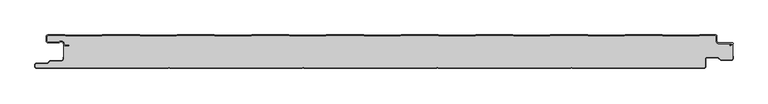
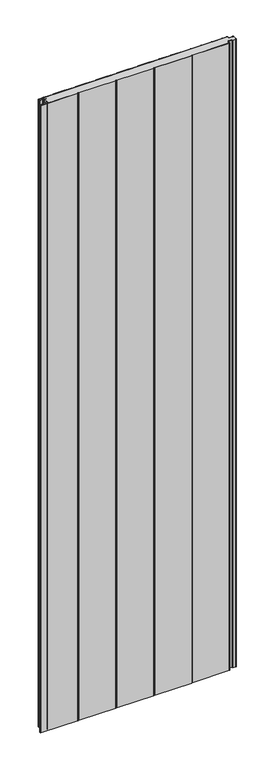
"""IFC4 building model written with IfcOpenShell, lengths in millimetres: plate geometry."""

from ifc_helpers import new_model, si_unit, point, frame_2d, origin, origin_with_axes, place, context, project, spatial, polyline, circle_curve, trimmed, segment, composite_curve, outline, extrude, source, transform, mapped, element, save


def plate_1a0645fa(model_context):
    return source(origin(), model_context, "Body", "SweptSolid", [
        extrude(outline(composite_curve([segment(trimmed(circle_curve(frame_2d((-497.49499, -9.0180361)), 2.50501), [point((-497.49499, -11.5230461))], [point((-500.0, -9.0180361))], False, "CARTESIAN"), True, "CONTINUOUS"), segment(polyline([(-500.0, -9.0180361), (-500.0, -2.50501)]), True, "CONTINUOUS"), segment(trimmed(circle_curve(frame_2d((-497.49499, -2.50501)), 2.50501), [point((-500.0, -2.50501))], [point((-497.49499, 0.0))], False, "CARTESIAN"), True, "CONTINUOUS"), segment(polyline([(-497.49499, 0.0), (-472.2103007, 0.0), (-471.028188, -0.6012024), (-417.6391467, -0.6012024), (-416.457034, 0.0), (-360.8776353, 0.0), (-359.6955227, -0.6012024), (-306.3064814, -0.6012024), (-305.1243687, 0.0), (-249.54497, 0.0), (-248.3628573, -0.6012024), (-194.973816, -0.6012024), (-193.7917033, 0.0), (-138.2123047, 0.0), (-137.030192, -0.6012024), (-83.6411507, -0.6012024), (-82.459038, 0.0), (-26.8796393, 0.0), (-25.6975267, -0.6012024), (27.6915146, -0.6012024), (28.8736273, 0.0), (84.453026, 0.0), (85.6351387, -0.6012024), (139.02418, -0.6012024), (140.2062927, 0.0), (195.7856913, 0.0), (196.967804, -0.6012024), (250.3568453, -0.6012024), (251.538958, 0.0), (307.1183566, 0.0), (308.3004693, -0.6012024), (361.6895106, -0.6012024), (362.8716233, 0.0), (418.451022, 0.0), (419.6331347, -0.6012024), (473.022176, -0.6012024), (474.2042886, 0.0), (497.49499, 0.0)]), True, "CONTINUOUS"), segment(trimmed(circle_curve(frame_2d((497.49499, -2.50501)), 2.50501), [point((497.49499, 0.0))], [point((500.0, -2.50501))], False, "CARTESIAN"), True, "CONTINUOUS"), segment(polyline([(500.0, -2.50501), (500.0, -10.0200401)]), True, "CONTINUOUS"), segment(trimmed(circle_curve(frame_2d((502.004008, -10.0200401)), 2.004008), [point((500.0, -10.0200401))], [point((502.004008, -12.0240481))], True, "CARTESIAN"), True, "CONTINUOUS"), segment(polyline([(502.004008, -12.0240481), (522.96027, -12.0240481)]), True, "CONTINUOUS"), segment(trimmed(circle_curve(frame_2d((522.96027, -13.0490481)), 1.025), [point((522.96027, -12.0240481))], [point((523.47277, -13.9367241))], False, "CARTESIAN"), True, "CONTINUOUS"), segment(polyline([(523.47277, -13.9367241), (519.5390782, -16.2078422), (519.1390782, -15.5150218), (522.183956, -13.7570608)]), True, "CONTINUOUS"), segment(trimmed(circle_curve(frame_2d((521.933956, -13.3240481)), 0.5), [point((522.183956, -13.7570608))], [point((521.933956, -12.8240481))], True, "CARTESIAN"), True, "CONTINUOUS"), segment(polyline([(521.933956, -12.8240481), (502.004008, -12.8240481)]), True, "CONTINUOUS"), segment(trimmed(circle_curve(frame_2d((502.004008, -10.0200401)), 2.804008), [point((502.004008, -12.8240481))], [point((499.2, -10.0200401))], False, "CARTESIAN"), True, "CONTINUOUS"), segment(polyline([(499.2, -10.0200401), (499.2, -2.50501)]), True, "CONTINUOUS"), segment(trimmed(circle_curve(frame_2d((497.49499, -2.50501)), 1.70501), [point((499.2, -2.50501))], [point((497.49499, -0.8))], True, "CARTESIAN"), True, "CONTINUOUS"), segment(polyline([(497.49499, -0.8), (474.396035, -0.8), (473.2139223, -1.4012024), (419.4413883, -1.4012024), (418.2592756, -0.8), (363.0633697, -0.8), (361.881257, -1.4012024), (308.108723, -1.4012024), (306.9266103, -0.8), (251.7307044, -0.8), (250.5485917, -1.4012024), (196.7760576, -1.4012024), (195.5939449, -0.8), (140.398039, -0.8), (139.2159263, -1.4012024), (85.4433923, -1.4012024), (84.2612796, -0.8), (29.0653737, -0.8), (27.883261, -1.4012024), (-25.889273, -1.4012024), (-27.0713857, -0.8), (-82.2672916, -0.8), (-83.4494043, -1.4012024), (-137.2219384, -1.4012024), (-138.4040511, -0.8), (-193.599957, -0.8), (-194.7820696, -1.4012024), (-248.5546037, -1.4012024), (-249.7367164, -0.8), (-304.9326223, -0.8), (-306.114735, -1.4012024), (-359.887269, -1.4012024), (-361.0693817, -0.8), (-416.2652876, -0.8), (-417.4474003, -1.4012024), (-471.2199344, -1.4012024), (-472.4020471, -0.8), (-497.49499, -0.8)]), True, "CONTINUOUS"), segment(trimmed(circle_curve(frame_2d((-497.49499, -2.50501)), 1.70501), [point((-497.49499, -0.8))], [point((-499.2, -2.50501))], True, "CARTESIAN"), True, "CONTINUOUS"), segment(polyline([(-499.2, -2.50501), (-499.2, -9.0180361)]), True, "CONTINUOUS"), segment(trimmed(circle_curve(frame_2d((-497.49499, -9.0180361)), 1.70501), [point((-499.2, -9.0180361))], [point((-497.49499, -10.7230461))], True, "CARTESIAN"), True, "CONTINUOUS"), segment(polyline([(-497.49499, -10.7230461), (-481.8173283, -10.7230461)]), True, "CONTINUOUS"), segment(trimmed(circle_curve(frame_2d((-481.8173283, -9.0180361)), 1.70501), [point((-481.8173283, -10.7230461))], [point((-480.6895701, -10.2967936))], True, "CARTESIAN"), True, "CONTINUOUS"), segment(trimmed(circle_curve(frame_2d((-477.8407481, -13.5270541)), 4.307014), [point((-480.6895701, -10.2967936))], [point((-473.7934788, -12.0539686))], False, "CARTESIAN"), True, "CONTINUOUS"), segment(polyline([(-473.7934788, -12.0539686), (-473.0450711, -14.1102019)]), True, "CONTINUOUS"), segment(trimmed(circle_curve(frame_2d((-471.4428858, -13.5270541)), 1.70501), [point((-473.0450711, -14.1102019))], [point((-471.4428858, -15.2320641))], True, "CARTESIAN"), True, "CONTINUOUS"), segment(polyline([(-471.4428858, -15.2320641), (-466.4328657, -15.2320641), (-466.4328657, -16.0320641), (-471.4428858, -16.0320641)]), True, "CONTINUOUS"), segment(trimmed(circle_curve(frame_2d((-471.4428858, -13.5270541)), 2.50501), [point((-471.4428858, -16.0320641))], [point((-473.7968252, -14.383818))], False, "CARTESIAN"), True, "CONTINUOUS"), segment(polyline([(-473.7968252, -14.383818), (-474.5452329, -12.3275847)]), True, "CONTINUOUS"), segment(trimmed(circle_curve(frame_2d((-477.8407481, -13.5270541)), 3.507014), [point((-474.5452329, -12.3275847))], [point((-480.1604199, -10.8967936))], True, "CARTESIAN"), True, "CONTINUOUS"), segment(trimmed(circle_curve(frame_2d((-481.8173283, -9.0180361)), 2.50501), [point((-480.1604199, -10.8967936))], [point((-481.8173283, -11.5230461))], False, "CARTESIAN"), True, "CONTINUOUS"), segment(polyline([(-481.8173283, -11.5230461), (-497.49499, -11.5230461)]), True, "CONTINUOUS")], self_intersect=False)), origin_with_axes(), (0.0, 0.0, 1.0), 3500.0),
        extrude(outline(composite_curve([segment(polyline([(523.2, -12.8240481), (523.2, -35.25)]), True, "CONTINUOUS"), segment(trimmed(circle_curve(frame_2d((521.5, -35.25)), 1.7), [point((523.2, -35.25))], [point((521.5, -36.95))], False, "CARTESIAN"), True, "CONTINUOUS"), segment(polyline([(521.5, -36.95), (505.8492873, -36.95), (501.7886271, -33.2), (485.0, -33.2)]), True, "CONTINUOUS"), segment(trimmed(circle_curve(frame_2d((485.0, -36.0)), 2.8), [point((485.0, -33.2))], [point((482.2, -36.0))], True, "CARTESIAN"), True, "CONTINUOUS"), segment(polyline([(482.2, -36.0), (482.2, -47.5)]), True, "CONTINUOUS"), segment(trimmed(circle_curve(frame_2d((480.5, -47.5)), 1.7), [point((482.2, -47.5))], [point((480.5, -49.2))], False, "CARTESIAN"), True, "CONTINUOUS"), segment(polyline([(480.5, -49.2), (285.5, -49.2)]), True, "CONTINUOUS"), segment(trimmed(circle_curve(frame_2d((285.5, -47.5)), 1.7), [point((285.5, -49.2))], [point((284.0845596, -48.4415563))], False, "CARTESIAN"), True, "CONTINUOUS"), segment(trimmed(circle_curve(frame_2d((283.0, -49.1630095)), 1.302599), [point((284.0845596, -48.4415563))], [point((281.9154404, -48.4415563))], True, "CARTESIAN"), True, "CONTINUOUS"), segment(trimmed(circle_curve(frame_2d((280.5, -47.5)), 1.7), [point((281.9154404, -48.4415563))], [point((280.5, -49.2))], False, "CARTESIAN"), True, "CONTINUOUS"), segment(polyline([(280.5, -49.2), (85.5, -49.2)]), True, "CONTINUOUS"), segment(trimmed(circle_curve(frame_2d((85.5, -47.5)), 1.7), [point((85.5, -49.2))], [point((84.0845596, -48.4415563))], False, "CARTESIAN"), True, "CONTINUOUS"), segment(trimmed(circle_curve(frame_2d((83.0, -49.1630095)), 1.302599), [point((84.0845596, -48.4415563))], [point((81.9154404, -48.4415563))], True, "CARTESIAN"), True, "CONTINUOUS"), segment(trimmed(circle_curve(frame_2d((80.5, -47.5)), 1.7), [point((81.9154404, -48.4415563))], [point((80.5, -49.2))], False, "CARTESIAN"), True, "CONTINUOUS"), segment(polyline([(80.5, -49.2), (-114.5, -49.2)]), True, "CONTINUOUS"), segment(trimmed(circle_curve(frame_2d((-114.5, -47.5)), 1.7), [point((-114.5, -49.2))], [point((-115.9154404, -48.4415563))], False, "CARTESIAN"), True, "CONTINUOUS"), segment(trimmed(circle_curve(frame_2d((-117.0, -49.1630095)), 1.302599), [point((-115.9154404, -48.4415563))], [point((-118.0845596, -48.4415563))], True, "CARTESIAN"), True, "CONTINUOUS"), segment(trimmed(circle_curve(frame_2d((-119.5, -47.5)), 1.7), [point((-118.0845596, -48.4415563))], [point((-119.5, -49.2))], False, "CARTESIAN"), True, "CONTINUOUS"), segment(polyline([(-119.5, -49.2), (-314.5, -49.2)]), True, "CONTINUOUS"), segment(trimmed(circle_curve(frame_2d((-314.5, -47.5)), 1.7), [point((-314.5, -49.2))], [point((-315.9154404, -48.4415563))], False, "CARTESIAN"), True, "CONTINUOUS"), segment(trimmed(circle_curve(frame_2d((-317.0, -49.1630095)), 1.302599), [point((-315.9154404, -48.4415563))], [point((-318.0845596, -48.4415563))], True, "CARTESIAN"), True, "CONTINUOUS"), segment(trimmed(circle_curve(frame_2d((-319.5, -47.5)), 1.7), [point((-318.0845596, -48.4415563))], [point((-319.5, -49.2))], False, "CARTESIAN"), True, "CONTINUOUS"), segment(polyline([(-319.5, -49.2), (-514.5, -49.2)]), True, "CONTINUOUS"), segment(trimmed(circle_curve(frame_2d((-514.5, -47.5)), 1.7), [point((-514.5, -49.2))], [point((-516.2, -47.5))], False, "CARTESIAN"), True, "CONTINUOUS"), segment(polyline([(-516.2, -47.5), (-516.2, -44.5)]), True, "CONTINUOUS"), segment(trimmed(circle_curve(frame_2d((-514.5, -44.5)), 1.7), [point((-516.2, -44.5))], [point((-514.5, -42.8))], False, "CARTESIAN"), True, "CONTINUOUS"), segment(polyline([(-514.5, -42.8), (-498.1686292, -42.8), (-494.4186292, -39.05), (-477.0, -39.05)]), True, "CONTINUOUS"), segment(trimmed(circle_curve(frame_2d((-477.0, -36.25)), 2.8), [point((-477.0, -39.05))], [point((-474.2, -36.25))], True, "CARTESIAN"), True, "CONTINUOUS"), segment(polyline([(-474.2, -36.25), (-474.2, -11.2258973)]), True, "CONTINUOUS"), segment(trimmed(circle_curve(frame_2d((-477.8407481, -13.5270541)), 4.307014), [point((-474.2, -11.2258973))], [point((-480.6895701, -10.2967936))], True, "CARTESIAN"), True, "CONTINUOUS"), segment(trimmed(circle_curve(frame_2d((-481.8173283, -9.0180361)), 1.70501), [point((-480.6895701, -10.2967936))], [point((-481.8173283, -10.7230461))], False, "CARTESIAN"), True, "CONTINUOUS"), segment(polyline([(-481.8173283, -10.7230461), (-497.49499, -10.7230461)]), True, "CONTINUOUS"), segment(trimmed(circle_curve(frame_2d((-497.49499, -9.0180361)), 1.70501), [point((-497.49499, -10.7230461))], [point((-499.2, -9.0180361))], False, "CARTESIAN"), True, "CONTINUOUS"), segment(polyline([(-499.2, -9.0180361), (-499.2, -2.50501)]), True, "CONTINUOUS"), segment(trimmed(circle_curve(frame_2d((-497.49499, -2.50501)), 1.70501), [point((-499.2, -2.50501))], [point((-497.49499, -0.8))], False, "CARTESIAN"), True, "CONTINUOUS"), segment(polyline([(-497.49499, -0.8), (-472.4020471, -0.8), (-471.2199344, -1.4012024), (-417.4474003, -1.4012024), (-416.2652876, -0.8), (-361.0693817, -0.8), (-359.887269, -1.4012024), (-306.114735, -1.4012024), (-304.9326223, -0.8), (-249.7367164, -0.8), (-248.5546037, -1.4012024), (-194.7820696, -1.4012024), (-193.599957, -0.8), (-138.4040511, -0.8), (-137.2219384, -1.4012024), (-83.4494043, -1.4012024), (-82.2672916, -0.8), (-27.0713857, -0.8), (-25.889273, -1.4012024), (27.883261, -1.4012024), (29.0653737, -0.8), (84.2612796, -0.8), (85.4433923, -1.4012024), (139.2159263, -1.4012024), (140.398039, -0.8), (195.5939449, -0.8), (196.7760576, -1.4012024), (250.5485917, -1.4012024), (251.7307044, -0.8), (306.9266103, -0.8), (308.108723, -1.4012024), (361.881257, -1.4012024), (363.0633697, -0.8), (418.2592756, -0.8), (419.4413883, -1.4012024), (473.2139223, -1.4012024), (474.396035, -0.8), (497.49499, -0.8)]), True, "CONTINUOUS"), segment(trimmed(circle_curve(frame_2d((497.49499, -2.50501)), 1.70501), [point((497.49499, -0.8))], [point((499.2, -2.50501))], False, "CARTESIAN"), True, "CONTINUOUS"), segment(polyline([(499.2, -2.50501), (499.2, -10.0200401)]), True, "CONTINUOUS"), segment(trimmed(circle_curve(frame_2d((502.004008, -10.0200401)), 2.804008), [point((499.2, -10.0200401))], [point((502.004008, -12.8240481))], True, "CARTESIAN"), True, "CONTINUOUS"), segment(polyline([(502.004008, -12.8240481), (523.2, -12.8240481)]), True, "CONTINUOUS")], self_intersect=False)), origin_with_axes(), (0.0, 0.0, 1.0), 3500.0),
        extrude(outline(composite_curve([segment(polyline([(-319.5, -50.0), (-514.5, -50.0)]), True, "CONTINUOUS"), segment(trimmed(circle_curve(frame_2d((-514.5, -47.5)), 2.5), [point((-514.5, -50.0))], [point((-517.0, -47.5))], False, "CARTESIAN"), True, "CONTINUOUS"), segment(polyline([(-517.0, -47.5), (-517.0, -44.5)]), True, "CONTINUOUS"), segment(trimmed(circle_curve(frame_2d((-514.5, -44.5)), 2.5), [point((-517.0, -44.5))], [point((-514.5, -42.0))], False, "CARTESIAN"), True, "CONTINUOUS"), segment(polyline([(-514.5, -42.0), (-498.5, -42.0), (-494.75, -38.25), (-477.0, -38.25)]), True, "CONTINUOUS"), segment(trimmed(circle_curve(frame_2d((-477.0, -36.25)), 2.0), [point((-477.0, -38.25))], [point((-475.0, -36.25))], True, "CARTESIAN"), True, "CONTINUOUS"), segment(polyline([(-475.0, -36.25), (-475.0, -33.25), (-474.2, -33.25), (-474.2, -36.25)]), True, "CONTINUOUS"), segment(trimmed(circle_curve(frame_2d((-477.0, -36.25)), 2.8), [point((-474.2, -36.25))], [point((-477.0, -39.05))], False, "CARTESIAN"), True, "CONTINUOUS"), segment(polyline([(-477.0, -39.05), (-494.4186292, -39.05), (-498.1686292, -42.8), (-514.5, -42.8)]), True, "CONTINUOUS"), segment(trimmed(circle_curve(frame_2d((-514.5, -44.5)), 1.7), [point((-514.5, -42.8))], [point((-516.2, -44.5))], True, "CARTESIAN"), True, "CONTINUOUS"), segment(polyline([(-516.2, -44.5), (-516.2, -47.5)]), True, "CONTINUOUS"), segment(trimmed(circle_curve(frame_2d((-514.5, -47.5)), 1.7), [point((-516.2, -47.5))], [point((-514.5, -49.2))], True, "CARTESIAN"), True, "CONTINUOUS"), segment(polyline([(-514.5, -49.2), (-319.5, -49.2)]), True, "CONTINUOUS"), segment(trimmed(circle_curve(frame_2d((-319.5, -47.5)), 1.7), [point((-319.5, -49.2))], [point((-318.0845596, -48.4415563))], True, "CARTESIAN"), True, "CONTINUOUS"), segment(trimmed(circle_curve(frame_2d((-317.0, -49.1630095)), 1.302599), [point((-318.0845596, -48.4415563))], [point((-315.9154404, -48.4415563))], False, "CARTESIAN"), True, "CONTINUOUS"), segment(trimmed(circle_curve(frame_2d((-314.5, -47.5)), 1.7), [point((-315.9154404, -48.4415563))], [point((-314.5, -49.2))], True, "CARTESIAN"), True, "CONTINUOUS"), segment(polyline([(-314.5, -49.2), (-119.5, -49.2)]), True, "CONTINUOUS"), segment(trimmed(circle_curve(frame_2d((-119.5, -47.5)), 1.7), [point((-119.5, -49.2))], [point((-118.0845596, -48.4415563))], True, "CARTESIAN"), True, "CONTINUOUS"), segment(trimmed(circle_curve(frame_2d((-117.0, -49.1630095)), 1.302599), [point((-118.0845596, -48.4415563))], [point((-115.9154404, -48.4415563))], False, "CARTESIAN"), True, "CONTINUOUS"), segment(trimmed(circle_curve(frame_2d((-114.5, -47.5)), 1.7), [point((-115.9154404, -48.4415563))], [point((-114.5, -49.2))], True, "CARTESIAN"), True, "CONTINUOUS"), segment(polyline([(-114.5, -49.2), (80.5, -49.2)]), True, "CONTINUOUS"), segment(trimmed(circle_curve(frame_2d((80.5, -47.5)), 1.7), [point((80.5, -49.2))], [point((81.9154404, -48.4415563))], True, "CARTESIAN"), True, "CONTINUOUS"), segment(trimmed(circle_curve(frame_2d((83.0, -49.1630095)), 1.302599), [point((81.9154404, -48.4415563))], [point((84.0845596, -48.4415563))], False, "CARTESIAN"), True, "CONTINUOUS"), segment(trimmed(circle_curve(frame_2d((85.5, -47.5)), 1.7), [point((84.0845596, -48.4415563))], [point((85.5, -49.2))], True, "CARTESIAN"), True, "CONTINUOUS"), segment(polyline([(85.5, -49.2), (280.5, -49.2)]), True, "CONTINUOUS"), segment(trimmed(circle_curve(frame_2d((280.5, -47.5)), 1.7), [point((280.5, -49.2))], [point((281.9154404, -48.4415563))], True, "CARTESIAN"), True, "CONTINUOUS"), segment(trimmed(circle_curve(frame_2d((283.0, -49.1630095)), 1.302599), [point((281.9154404, -48.4415563))], [point((284.0845596, -48.4415563))], False, "CARTESIAN"), True, "CONTINUOUS"), segment(trimmed(circle_curve(frame_2d((285.5, -47.5)), 1.7), [point((284.0845596, -48.4415563))], [point((285.5, -49.2))], True, "CARTESIAN"), True, "CONTINUOUS"), segment(polyline([(285.5, -49.2), (480.5, -49.2)]), True, "CONTINUOUS"), segment(trimmed(circle_curve(frame_2d((480.5, -47.5)), 1.7), [point((480.5, -49.2))], [point((482.2, -47.5))], True, "CARTESIAN"), True, "CONTINUOUS"), segment(polyline([(482.2, -47.5), (482.2, -36.0)]), True, "CONTINUOUS"), segment(trimmed(circle_curve(frame_2d((485.0, -36.0)), 2.8), [point((482.2, -36.0))], [point((485.0, -33.2))], False, "CARTESIAN"), True, "CONTINUOUS"), segment(polyline([(485.0, -33.2), (501.7886271, -33.2), (505.8492873, -36.95), (521.5, -36.95)]), True, "CONTINUOUS"), segment(trimmed(circle_curve(frame_2d((521.5, -35.25)), 1.7), [point((521.5, -36.95))], [point((523.2, -35.25))], True, "CARTESIAN"), True, "CONTINUOUS"), segment(polyline([(523.2, -35.25), (523.2, -31.75), (524.0, -31.75), (524.0, -35.25)]), True, "CONTINUOUS"), segment(trimmed(circle_curve(frame_2d((521.5, -35.25)), 2.5), [point((524.0, -35.25))], [point((521.5, -37.75))], False, "CARTESIAN"), True, "CONTINUOUS"), segment(polyline([(521.5, -37.75), (505.5363961, -37.75), (501.4757359, -34.0), (485.0, -34.0)]), True, "CONTINUOUS"), segment(trimmed(circle_curve(frame_2d((485.0, -36.0)), 2.0), [point((485.0, -34.0))], [point((483.0, -36.0))], True, "CARTESIAN"), True, "CONTINUOUS"), segment(polyline([(483.0, -36.0), (483.0, -47.5)]), True, "CONTINUOUS"), segment(trimmed(circle_curve(frame_2d((480.5, -47.5)), 2.5), [point((483.0, -47.5))], [point((480.5, -50.0))], False, "CARTESIAN"), True, "CONTINUOUS"), segment(polyline([(480.5, -50.0), (285.5, -50.0)]), True, "CONTINUOUS"), segment(trimmed(circle_curve(frame_2d((285.5, -47.5)), 2.5), [point((285.5, -50.0))], [point((283.4184699, -48.8846417))], False, "CARTESIAN"), True, "CONTINUOUS"), segment(trimmed(circle_curve(frame_2d((283.0, -49.1630095)), 0.502599), [point((283.4184699, -48.8846417))], [point((282.5815301, -48.8846417))], True, "CARTESIAN"), True, "CONTINUOUS"), segment(trimmed(circle_curve(frame_2d((280.5, -47.5)), 2.5), [point((282.5815301, -48.8846417))], [point((280.5, -50.0))], False, "CARTESIAN"), True, "CONTINUOUS"), segment(polyline([(280.5, -50.0), (85.5, -50.0)]), True, "CONTINUOUS"), segment(trimmed(circle_curve(frame_2d((85.5, -47.5)), 2.5), [point((85.5, -50.0))], [point((83.4184699, -48.8846417))], False, "CARTESIAN"), True, "CONTINUOUS"), segment(trimmed(circle_curve(frame_2d((83.0, -49.1630095)), 0.502599), [point((83.4184699, -48.8846417))], [point((82.5815301, -48.8846417))], True, "CARTESIAN"), True, "CONTINUOUS"), segment(trimmed(circle_curve(frame_2d((80.5, -47.5)), 2.5), [point((82.5815301, -48.8846417))], [point((80.5, -50.0))], False, "CARTESIAN"), True, "CONTINUOUS"), segment(polyline([(80.5, -50.0), (-114.5, -50.0)]), True, "CONTINUOUS"), segment(trimmed(circle_curve(frame_2d((-114.5, -47.5)), 2.5), [point((-114.5, -50.0))], [point((-116.5815301, -48.8846417))], False, "CARTESIAN"), True, "CONTINUOUS"), segment(trimmed(circle_curve(frame_2d((-117.0, -49.1630095)), 0.502599), [point((-116.5815301, -48.8846417))], [point((-117.4184699, -48.8846417))], True, "CARTESIAN"), True, "CONTINUOUS"), segment(trimmed(circle_curve(frame_2d((-119.5, -47.5)), 2.5), [point((-117.4184699, -48.8846417))], [point((-119.5, -50.0))], False, "CARTESIAN"), True, "CONTINUOUS"), segment(polyline([(-119.5, -50.0), (-314.5, -50.0)]), True, "CONTINUOUS"), segment(trimmed(circle_curve(frame_2d((-314.5, -47.5)), 2.5), [point((-314.5, -50.0))], [point((-316.5815301, -48.8846417))], False, "CARTESIAN"), True, "CONTINUOUS"), segment(trimmed(circle_curve(frame_2d((-317.0, -49.1630095)), 0.502599), [point((-316.5815301, -48.8846417))], [point((-317.4184699, -48.8846417))], True, "CARTESIAN"), True, "CONTINUOUS"), segment(trimmed(circle_curve(frame_2d((-319.5, -47.5)), 2.5), [point((-317.4184699, -48.8846417))], [point((-319.5, -50.0))], False, "CARTESIAN"), True, "CONTINUOUS")], self_intersect=False)), origin_with_axes(), (0.0, 0.0, 1.0), 3500.0),
    ])


if __name__ == "__main__":
    model = new_model("IFC4")
    model_context = context("Model", 3, world=origin())
    ifc_project = project(units=[si_unit("LENGTHUNIT", "METRE", prefix="MILLI")], contexts=[model_context])
    site = spatial("IfcSite", under=ifc_project)
    building = spatial("IfcBuilding", under=site)
    placement = place(None, origin())
    plate_shape = plate_1a0645fa(model_context)
    element("IfcPlate", 1, at=placement, inside=building, context=model_context, shape_type="MappedRepresentation", body=[
        mapped(plate_shape, transform((0.0, 0.0, 0.0), x_axis=(1.0, 0.0, 0.0), y_axis=(0.0, 1.0, 0.0), z_axis=(0.0, 0.0, 1.0))),
    ])
    save(model, "model.ifc")
